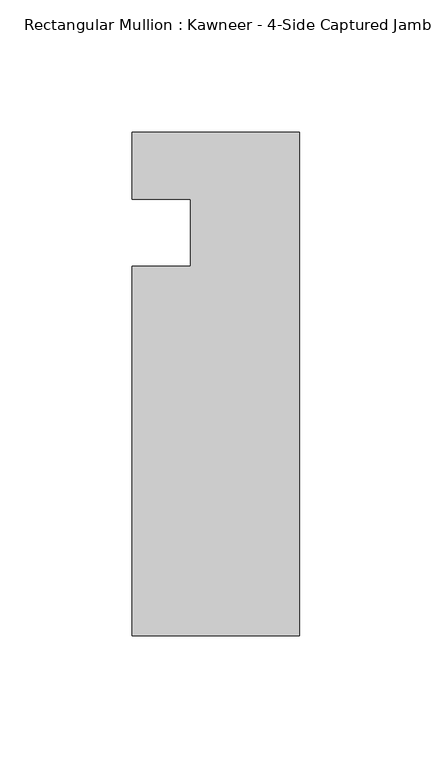
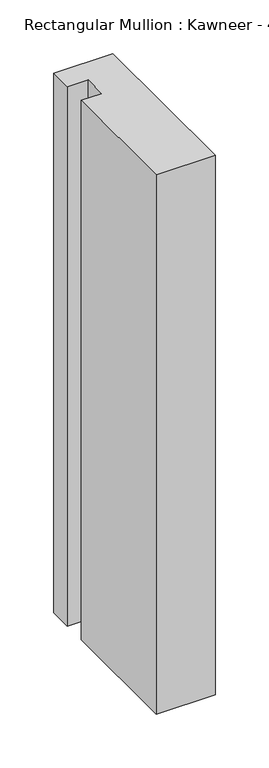
"""IFC4 building model written with IfcOpenShell, lengths in millimetres: member geometry."""

import ifcopenshell
import ifcopenshell.guid

model = None  # the IFC model being written
_history = None  # IfcOwnerHistory: only IFC2X3 demands one
_inside = {}  # id of a spatial element -> (the spatial element, [elements in it])
_under = {}  # id of a project, library or spatial element -> (it, [spatial elements below it])
_declared = {}  # id of a project -> (the project, [libraries it declares])
_typed = {}  # id of a type object -> (the type object, [elements of that type])
_made_of = {}  # id of a material, layer set ... -> (it, [elements and type objects made of it])


def new_model(schema):
    """Start an empty IFC model of exactly this schema.

    Asked for "IFC4X3", IfcOpenShell would pick the latest addendum, in which some entities
    have other attributes; the version numbers below select the first issue.
    IFC2X3 requires an IfcOwnerHistory on every rooted entity: one is made here for all.
    """
    global model, _history
    if schema == "IFC4X3":
        model = ifcopenshell.file(schema_version=(4, 3, 0, 0))
    else:
        model = ifcopenshell.file(schema=schema)
    _inside.clear()
    _under.clear()
    _declared.clear()
    _typed.clear()
    _made_of.clear()
    _history = None
    if model.schema == "IFC2X3":
        org = make("IfcOrganization", Name="unknown")
        user = make(
            "IfcPersonAndOrganization",
            ThePerson=make("IfcPerson", FamilyName="unknown"),
            TheOrganization=org,
        )
        app = make(
            "IfcApplication",
            ApplicationDeveloper=org,
            Version="unknown",
            ApplicationFullName="unknown",
            ApplicationIdentifier="unknown",
        )
        _history = make(
            "IfcOwnerHistory",
            OwningUser=user,
            OwningApplication=app,
            ChangeAction="ADDED",
            CreationDate=0,
        )
    return model


def make(cls, **values):
    """One entity of the class cls with the attributes given. An attribute that is None is left unset."""
    return model.create_entity(
        cls, **{name: value for name, value in values.items() if value is not None}
    )


def rooted(cls, **values):
    """An entity with a GlobalId (a new one), such as an element, a storey or a relation."""
    return make(cls, GlobalId=ifcopenshell.guid.new(), OwnerHistory=_history, **values)


def si_unit(unit_type, name, prefix=None):
    """IfcSIUnit, for example si_unit("LENGTHUNIT", "METRE", prefix="MILLI")."""
    return make("IfcSIUnit", UnitType=unit_type, Prefix=prefix, Name=name)


def assignment(units):
    """IfcUnitAssignment: the units of a project."""
    return None if units is None else make("IfcUnitAssignment", Units=units)


def point(xyz):
    """IfcCartesianPoint."""
    return None if xyz is None else make("IfcCartesianPoint", Coordinates=xyz)


def direction(xyz):
    """IfcDirection."""
    return None if xyz is None else make("IfcDirection", DirectionRatios=xyz)


def frame(location, z_axis=None, x_axis=None):
    """IfcAxis2Placement3D, a coordinate frame: its origin and axes. An axis left out is left unset."""
    return make(
        "IfcAxis2Placement3D",
        Location=point(location),
        Axis=direction(z_axis),
        RefDirection=direction(x_axis),
    )


def origin():
    """The frame at (0, 0, 0) with its axes left unset."""
    return frame((0.0, 0.0, 0.0))


def place(relative_to, where):
    """IfcLocalPlacement: puts the frame where relative to a parent placement (None: the world)."""
    return make(
        "IfcLocalPlacement", PlacementRelTo=relative_to, RelativePlacement=where
    )


def context(
    kind, dimensions, precision=None, world=None, true_north=None, identifier=None
):
    """IfcGeometricRepresentationContext, for example the 3D "Model" context."""
    return make(
        "IfcGeometricRepresentationContext",
        ContextIdentifier=identifier,
        ContextType=kind,
        CoordinateSpaceDimension=dimensions,
        Precision=precision,
        WorldCoordinateSystem=world,
        TrueNorth=true_north,
    )


def project(units=None, contexts=None):
    """IfcProject with its units and contexts."""
    return rooted(
        "IfcProject",
        Name="project",
        RepresentationContexts=contexts,
        UnitsInContext=assignment(units),
    )


def spatial(cls, under=None, at=None, **own):
    """A site, building, storey or space (cls), placed at a placement, below another one or the project."""
    s = rooted(cls, ObjectPlacement=at, **own)
    if under is not None:
        _under.setdefault(under.id(), (under, []))[1].append(s)
    return s


def polyline(points):
    """IfcPolyline through the points."""
    return make("IfcPolyline", Points=[point(p) for p in points])


def outline(outer, holes=None, kind="AREA"):
    """IfcArbitraryClosedProfileDef: a profile drawn as a closed curve; with holes, ...WithVoids."""
    if holes is None:
        return make("IfcArbitraryClosedProfileDef", ProfileType=kind, OuterCurve=outer)
    return make(
        "IfcArbitraryProfileDefWithVoids",
        ProfileType=kind,
        OuterCurve=outer,
        InnerCurves=holes,
    )


def extrude(swept, where, along, depth):
    """IfcExtrudedAreaSolid: the profile swept, set in the frame where, extruded along a direction by depth."""
    return make(
        "IfcExtrudedAreaSolid",
        SweptArea=swept,
        Position=where,
        ExtrudedDirection=direction(along),
        Depth=depth,
    )


def shape(context_of_items, identifier, shape_type, items):
    """IfcShapeRepresentation: the items that make up one representation, for example the "Body"."""
    return make(
        "IfcShapeRepresentation",
        ContextOfItems=context_of_items,
        RepresentationIdentifier=identifier,
        RepresentationType=shape_type,
        Items=items,
    )


def source(mapping_origin, context_of_items, identifier, shape_type, items):
    """IfcRepresentationMap: a shape defined once, which mapped items show again and again."""
    return make(
        "IfcRepresentationMap",
        MappingOrigin=mapping_origin,
        MappedRepresentation=shape(context_of_items, identifier, shape_type, items),
    )


def transform(
    local_origin,
    x_axis=None,
    y_axis=None,
    z_axis=None,
    scale=None,
    scale2=None,
    scale3=None,
    uniform=True,
):
    """IfcCartesianTransformationOperator3D, or its non-uniform kind. x_axis, y_axis, z_axis: its Axis1, 2, 3."""
    if uniform:
        return make(
            "IfcCartesianTransformationOperator3D",
            Axis1=direction(x_axis),
            Axis2=direction(y_axis),
            LocalOrigin=point(local_origin),
            Scale=scale,
            Axis3=direction(z_axis),
        )
    return make(
        "IfcCartesianTransformationOperator3DnonUniform",
        Axis1=direction(x_axis),
        Axis2=direction(y_axis),
        LocalOrigin=point(local_origin),
        Scale=scale,
        Axis3=direction(z_axis),
        Scale2=scale2,
        Scale3=scale3,
    )


def mapped(mapping_source, mapping_target):
    """IfcMappedItem: shows the shape of a source again, moved by a transform."""
    return make(
        "IfcMappedItem", MappingSource=mapping_source, MappingTarget=mapping_target
    )


def made_of(thing, what):
    """Note that an element or type object is made of a material, layer set ...; save() writes the relation."""
    if what is not None:
        _made_of.setdefault(what.id(), (what, []))[1].append(thing)
    return thing


def element(
    cls,
    number,
    at=None,
    inside=None,
    cuts=None,
    type_object=None,
    material=None,
    context=None,
    identifier="Body",
    shape_type=None,
    held_by="IfcProductDefinitionShape",
    body=None,
    shapes=None,
    **own,
):
    """One element of the class cls, such as IfcWall. Its Tag is "e" and its number.

    at: its placement. inside: the storey or other place that contains it. cuts: it is an
    opening in that element (IfcRelVoidsElement). A single representation is given by context,
    identifier, shape_type and body (its items); several are given by shapes. held_by: the class
    of the entity that holds the representations. save() writes the other relations.
    """
    e = rooted(cls, Tag="e%d" % number, ObjectPlacement=at, **own)
    if body is not None:
        shapes = [shape(context, identifier, shape_type, body)]
    if shapes is not None:
        e.Representation = make(held_by, Representations=shapes)
    if inside is not None:
        _inside.setdefault(inside.id(), (inside, []))[1].append(e)
    if cuts is not None:
        rooted(
            "IfcRelVoidsElement", RelatingBuildingElement=cuts, RelatedOpeningElement=e
        )
    if type_object is not None:
        _typed.setdefault(type_object.id(), (type_object, []))[1].append(e)
    return made_of(e, material)


def aggregate(whole, parts):
    """IfcRelAggregates: a whole, such as a stair, and the parts it consists of."""
    return rooted("IfcRelAggregates", RelatingObject=whole, RelatedObjects=parts)


def save(model, path):
    """Write the relations noted so far, then the file.

    IfcRelAggregates (storeys below a building ...), IfcRelContainedInSpatialStructure (elements
    in a storey), IfcRelDefinesByType, IfcRelAssociatesMaterial and IfcRelDeclares: one each for
    every whole, place, type object, material and project.
    """
    for whole, parts in _under.values():
        aggregate(whole, parts)
    for where, things in _inside.values():
        rooted(
            "IfcRelContainedInSpatialStructure",
            RelatedElements=things,
            RelatingStructure=where,
        )
    for kind, things in _typed.values():
        rooted("IfcRelDefinesByType", RelatedObjects=things, RelatingType=kind)
    for what, things in _made_of.values():
        rooted("IfcRelAssociatesMaterial", RelatedObjects=things, RelatingMaterial=what)
    for by, libraries in _declared.values():
        rooted("IfcRelDeclares", RelatingContext=by, RelatedDefinitions=libraries)
    model.write(path)


def member_314a3933(model_context):
    return source(origin(), model_context, "Body", "SweptSolid", [
        extrude(outline(polyline([(0.0, -152.399995), (-63.5, -152.399995), (-63.5, -12.7), (-41.2751132, -12.7), (-41.2751132, 12.7), (-63.5, 12.7), (-63.5, 38.1), (0.0, 38.1), (0.0, -152.399995)])), frame((0.0, 0.0, -612.7750377), z_axis=(0.0, 0.0, 1.0), x_axis=(1.0, 0.0, 0.0)), (0.0, 0.0, 1.0), 612.7750377),
    ])


if __name__ == "__main__":
    model = new_model("IFC4")
    model_context = context("Model", 3, world=origin())
    ifc_project = project(units=[si_unit("LENGTHUNIT", "METRE", prefix="MILLI")], contexts=[model_context])
    site = spatial("IfcSite", under=ifc_project)
    building = spatial("IfcBuilding", under=site)
    placement = place(None, origin())
    member_shape = member_314a3933(model_context)
    element("IfcMember", 1, ObjectType="Rectangular Mullion : Kawneer - 4-Side Captured Jamb Mullion - 7 1/2\" - Left", at=placement, inside=building, context=model_context, shape_type="MappedRepresentation", body=[
        mapped(member_shape, transform((0.0, 0.0, 0.0), x_axis=(1.0, 0.0, 0.0), y_axis=(0.0, 1.0, 0.0), z_axis=(0.0, 0.0, 1.0))),
    ])
    save(model, "model.ifc")
